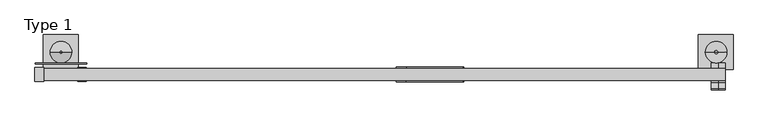
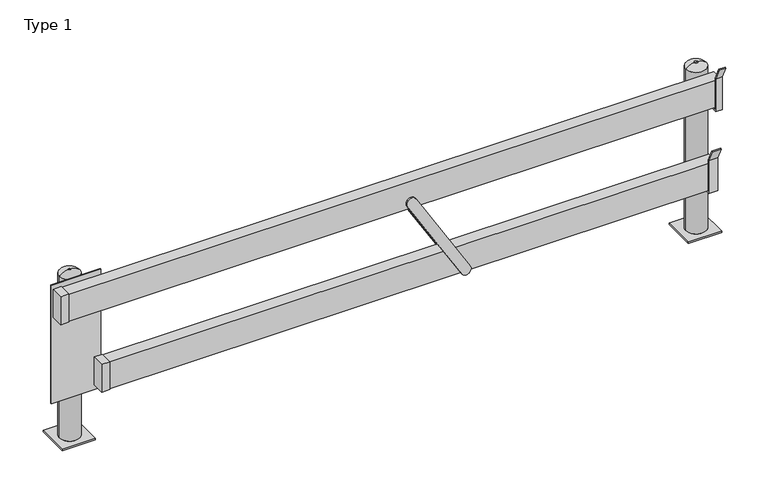
"""IFC4 building model written with IfcOpenShell, lengths in millimetres: proxy geometry, Type 1."""

from ifc_helpers import new_model, si_unit, point, frame, frame_2d, origin, place, context, project, spatial, polyline, circle_curve, ellipse_curve, trimmed, segment, composite_curve, outline, extrude, faceted_brep, source, transform, mapped, element, save
from ifc_brep_helpers import plane_surface, cylinder_surface, revolved_surface, advanced_brep


def type_1_bd8ac083(model_context):
    return source(origin(), model_context, "Body", "SolidModel", [
        extrude(outline(polyline([(-1785.05, 301.5346202), (-1836.05, 301.5346202), (-1836.05, 382.5346202), (-1785.05, 382.5346202), (-1785.05, 301.5346202)])), frame((0.0, 0.0, 355.15), z_axis=(0.0, 0.0, 1.0), x_axis=(1.0, 0.0, 0.0)), (0.0, 0.0, 1.0), 181.8),
        extrude(outline(polyline([(-2038.45, 301.5346202), (-2089.45, 301.5346202), (-2089.45, 382.5346202), (-2038.45, 382.5346202), (-2038.45, 301.5346202)])), frame((0.0, 0.0, 885.2), z_axis=(0.0, 0.0, 1.0), x_axis=(1.0, 0.0, 0.0)), (0.0, 0.0, 1.0), 181.8),
        extrude(outline(composite_curve([segment(trimmed(circle_curve(frame_2d((369.708321, 412.5848812)), 31.75), [point((353.3558621, 385.3698194))], [point((386.0607799, 439.799943))], False, "CARTESIAN"), True, "CONTINUOUS"), segment(polyline([(386.0607799, 439.799943), (942.5587325, 104.3406896)]), True, "CONTINUOUS"), segment(trimmed(circle_curve(frame_2d((926.2062736, 77.1256278)), 31.75), [point((942.5587325, 104.3406896))], [point((909.8538147, 49.910566))], False, "CARTESIAN"), True, "CONTINUOUS"), segment(polyline([(909.8538147, 49.910566), (353.3558621, 385.3698194)]), True, "CONTINUOUS")], self_intersect=False)), frame((0.0, 297.2346202, 0.0), z_axis=(0.0, 1.0, 0.0), x_axis=(0.0, 0.0, 1.0)), (0.0, 0.0, 1.0), 8.025),
        extrude(outline(composite_curve([segment(trimmed(circle_curve(frame_2d((926.2062736, 77.1256278)), 31.75), [point((942.5587325, 104.3406896))], [point((909.8538147, 49.910566))], False, "CARTESIAN"), True, "CONTINUOUS"), segment(polyline([(909.8538147, 49.910566), (353.3558621, 385.3698194)]), True, "CONTINUOUS"), segment(trimmed(circle_curve(frame_2d((369.708321, 412.5848812)), 31.75), [point((353.3558621, 385.3698194))], [point((386.0607799, 439.799943))], False, "CARTESIAN"), True, "CONTINUOUS"), segment(polyline([(386.0607799, 439.799943), (942.5587325, 104.3406896)]), True, "CONTINUOUS")], self_intersect=False)), frame((0.0, 378.2846202, 0.0), z_axis=(0.0, 1.0, 0.0), x_axis=(0.0, 0.0, 1.0)), (0.0, 0.0, 1.0), 7.95),
        extrude(outline(polyline([(1989.425, 305.2596202), (-2087.85, 305.2596202), (-2087.85, 378.2846202), (1989.425, 378.2846202), (1989.425, 305.2596202)])), frame((0.0, 0.0, 887.2), z_axis=(0.0, 0.0, 1.0), x_axis=(1.0, 0.0, 0.0)), (0.0, 0.0, 1.0), 177.8),
        extrude(outline(polyline([(1960.85, 305.2596202), (-1833.85, 305.2596202), (-1833.85, 378.2846202), (1960.85, 378.2846202), (1960.85, 305.2596202)])), frame((0.0, 0.0, 357.15), z_axis=(0.0, 0.0, 1.0), x_axis=(1.0, 0.0, 0.0)), (0.0, 0.0, 1.0), 177.85),
        advanced_brep(
        [(-1833.85, 576.9346202, 9.525), (-2038.85, 576.9346202, 9.525), (-2038.85, 371.9346202, 9.525), (-1833.85, 371.9346202, 9.525), (-1871.95, 473.5346202, 9.525), (-1998.95, 473.5346202, 9.525), (-1833.85, 576.9346202, 0.0), (-1833.85, 371.9346202, 0.0), (-2038.85, 371.9346202, 0.0), (-2038.85, 576.9346202, 0.0), (-1998.95, 473.5346202, 1065.0), (-1871.95, 473.5346202, 1065.0), (-1944.9569878, 473.5346202, 1090.0), (-1925.9430122, 473.5346202, 1090.0), (-1935.45, 473.5346202, 1090.0)],
        [
            (0, 1),
            (1, 2),
            (2, 3),
            (3, 0),
            (4, 5, circle_curve(frame((-1935.45, 473.5346202, 9.525), z_axis=(0.0, 0.0, -1.0), x_axis=(1.0, 0.0, 0.0)), 63.5)),
            (5, 4, circle_curve(frame((-1935.45, 473.5346202, 9.525), z_axis=(0.0, 0.0, -1.0), x_axis=(1.0, 0.0, 0.0)), 63.5)),
            (6, 7),
            (7, 8),
            (8, 9),
            (9, 6),
            (0, 6),
            (9, 1),
            (8, 2),
            (7, 3),
            (10, 5),
            (4, 11),
            (11, 10, circle_curve(frame((-1935.45, 473.5346202, 1065.0), z_axis=(0.0, 0.0, -1.0), x_axis=(1.0, 0.0, 0.0)), 63.5)),
            (10, 11, circle_curve(frame((-1935.45, 473.5346202, 1065.0), z_axis=(0.0, 0.0, -1.0), x_axis=(1.0, 0.0, 0.0)), 63.5)),
            (12, 13, circle_curve(frame((-1935.45, 473.5346202, 1090.0), z_axis=(0.0, 0.0, -1.0), x_axis=(1.0, 0.0, 0.0)), 9.5069878)),
            (13, 11, circle_curve(frame((-1925.9430122, 473.5346202, 1019.1950926), z_axis=(0.0, 1.0, 0.0), x_axis=(-1.0, 0.0, 0.0)), 70.8049074)),
            (10, 12, circle_curve(frame((-1944.9569878, 473.5346202, 1019.1950926), z_axis=(0.0, 1.0, 0.0), x_axis=(1.0, 0.0, 0.0)), 70.8049074)),
            (13, 12, circle_curve(frame((-1935.45, 473.5346202, 1090.0), z_axis=(0.0, 0.0, -1.0), x_axis=(1.0, 0.0, 0.0)), 9.5069878)),
            (12, 14),
            (14, 13),
        ],
        [
            plane_surface(frame((-1835.65, 576.9346202, 9.525), z_axis=(0.0, 0.0, 1.0), x_axis=(-1.0, 0.0, 0.0))),
            plane_surface(frame((-1835.65, 576.9346202, 0.0), z_axis=(0.0, 0.0, -1.0), x_axis=(1.0, 0.0, 0.0))),
            plane_surface(frame((-1833.85, 576.9346202, 9.525), z_axis=(0.0, 1.0, 0.0), x_axis=(0.0, 0.0, -1.0))),
            plane_surface(frame((-2038.85, 576.9346202, 9.525), z_axis=(-1.0, 0.0, 0.0), x_axis=(0.0, 0.0, -1.0))),
            plane_surface(frame((-2038.85, 371.9346202, 9.525), z_axis=(0.0, -1.0, 0.0), x_axis=(0.0, 0.0, -1.0))),
            plane_surface(frame((-1833.85, 371.9346202, 9.525), z_axis=(1.0, 0.0, 0.0), x_axis=(0.0, 0.0, -1.0))),
            cylinder_surface(frame((-1935.45, 473.5346202, 0.0), z_axis=(0.0, 0.0, 1.0), x_axis=(1.0, 0.0, 0.0)), 63.5),
            revolved_surface(trimmed(ellipse_curve(frame((-1925.9430122, 473.5346202, 1019.1950926), z_axis=(0.0, -1.0, 0.0), x_axis=(-1.0, 0.0, 0.0)), 70.8049074, 70.8049074), [point((-1871.95, 473.5346202, 1065.0))], [point((-1925.9430122, 473.5346202, 1090.0))], True, "CARTESIAN"), (-1935.45, 473.5346202, 1090.0), (0.0, 0.0, 1.0)),
            plane_surface(frame((-1935.45, 473.5346202, 1090.0), z_axis=(0.0, 0.0, 1.0), x_axis=(1.0, 0.0, 0.0))),
        ],
        [
            (0, [[1, 2, 3, 4], [5, 6]]),
            (1, [[7, 8, 9, 10]]),
            (2, [[-1, 11, -10, 12]]),
            (3, [[-2, -12, -9, 13]]),
            (4, [[-3, -13, -8, 14]]),
            (5, [[-4, -14, -7, -11]]),
            (6, [[15, -5, 16, 17]]),
            (6, [[-15, 18, -16, -6]]),
            (7, [[19, 20, -18, 21]]),
            (7, [[-20, 22, -21, -17]]),
            (8, [[-19, 23, 24]]),
            (8, [[-22, -24, -23]]),
        ],
    ),
        advanced_brep(
        [(1830.25, 576.9346202, 9.525), (1830.25, 371.9346202, 9.525), (2035.25, 371.9346202, 9.525), (2035.25, 576.9346202, 9.525), (1998.95, 473.5346202, 9.525), (1871.95, 473.5346202, 9.525), (1830.25, 576.9346202, 0.0), (2035.25, 576.9346202, 0.0), (2035.25, 371.9346202, 0.0), (1830.25, 371.9346202, 0.0), (1871.95, 473.5346202, 1065.0), (1998.95, 473.5346202, 1065.0), (1944.9569878, 473.5346202, 1090.0), (1925.9430122, 473.5346202, 1090.0), (1935.45, 473.5346202, 1090.0)],
        [
            (0, 1),
            (1, 2),
            (2, 3),
            (3, 0),
            (4, 5, circle_curve(frame((1935.45, 473.5346202, 9.525), z_axis=(0.0, 0.0, -1.0), x_axis=(1.0, 0.0, 0.0)), 63.5)),
            (5, 4, circle_curve(frame((1935.45, 473.5346202, 9.525), z_axis=(0.0, 0.0, -1.0), x_axis=(1.0, 0.0, 0.0)), 63.5)),
            (6, 7),
            (7, 8),
            (8, 9),
            (9, 6),
            (0, 6),
            (9, 1),
            (8, 2),
            (7, 3),
            (10, 5),
            (4, 11),
            (11, 10, circle_curve(frame((1935.45, 473.5346202, 1065.0), z_axis=(0.0, 0.0, -1.0), x_axis=(1.0, 0.0, 0.0)), 63.5)),
            (10, 11, circle_curve(frame((1935.45, 473.5346202, 1065.0), z_axis=(0.0, 0.0, -1.0), x_axis=(1.0, 0.0, 0.0)), 63.5)),
            (12, 13, circle_curve(frame((1935.45, 473.5346202, 1090.0), z_axis=(0.0, 0.0, 1.0), x_axis=(-1.0, 0.0, 0.0)), 9.5069878)),
            (13, 14),
            (14, 12),
            (13, 12, circle_curve(frame((1935.45, 473.5346202, 1090.0), z_axis=(0.0, 0.0, 1.0), x_axis=(-1.0, 0.0, 0.0)), 9.5069878)),
            (12, 11, circle_curve(frame((1944.9569878, 473.5346202, 1019.1950926), z_axis=(0.0, 1.0, 0.0), x_axis=(-1.0, 0.0, 0.0)), 70.8049074)),
            (10, 13, circle_curve(frame((1925.9430122, 473.5346202, 1019.1950926), z_axis=(0.0, 1.0, 0.0), x_axis=(1.0, 0.0, 0.0)), 70.8049074)),
        ],
        [
            plane_surface(frame((-1835.65, 576.9346202, 9.525), z_axis=(0.0, 0.0, 1.0), x_axis=(-1.0, 0.0, 0.0))),
            plane_surface(frame((-1835.65, 576.9346202, 0.0), z_axis=(0.0, 0.0, -1.0), x_axis=(1.0, 0.0, 0.0))),
            plane_surface(frame((1830.25, 576.9346202, 9.525), z_axis=(-1.0, 0.0, 0.0), x_axis=(0.0, 0.0, -1.0))),
            plane_surface(frame((1830.25, 371.9346202, 9.525), z_axis=(0.0, -1.0, 0.0), x_axis=(0.0, 0.0, -1.0))),
            plane_surface(frame((2035.25, 371.9346202, 9.525), z_axis=(1.0, 0.0, 0.0), x_axis=(0.0, 0.0, -1.0))),
            plane_surface(frame((2035.25, 576.9346202, 9.525), z_axis=(0.0, 1.0, 0.0), x_axis=(0.0, 0.0, -1.0))),
            cylinder_surface(frame((1935.45, 473.5346202, 0.0), z_axis=(0.0, 0.0, 1.0), x_axis=(1.0, 0.0, 0.0)), 63.5),
            plane_surface(frame((1935.45, 473.5346202, 1090.0), z_axis=(0.0, 0.0, 1.0), x_axis=(-1.0, 0.0, 0.0))),
            revolved_surface(trimmed(ellipse_curve(frame((1925.9430122, 473.5346202, 1019.1950926), z_axis=(0.0, -1.0, 0.0), x_axis=(1.0, 0.0, 0.0)), 70.8049074, 70.8049074), [point((1925.9430122, 473.5346202, 1090.0))], [point((1871.95, 473.5346202, 1065.0))], True, "CARTESIAN"), (1935.45, 473.5346202, 1090.0), (0.0, 0.0, -1.0)),
        ],
        [
            (0, [[1, 2, 3, 4], [5, 6]]),
            (1, [[7, 8, 9, 10]]),
            (2, [[-1, 11, -10, 12]]),
            (3, [[-2, -12, -9, 13]]),
            (4, [[-3, -13, -8, 14]]),
            (5, [[-4, -14, -7, -11]]),
            (6, [[15, -5, 16, 17]]),
            (6, [[-15, 18, -16, -6]]),
            (7, [[19, 20, 21]]),
            (7, [[-20, 22, -21]]),
            (8, [[-19, 23, -18, 24]]),
            (8, [[-22, -24, -17, -23]]),
        ],
    ),
        faceted_brep([(-2087.85, 410.0346202, 1079.5), (-2087.85, 403.6846202, 1079.5), (-1783.05, 403.6846202, 1079.5), (-1783.05, 410.0346202, 1079.5), (-1783.05, 410.0346202, 304.8), (-1783.05, 403.6846202, 304.8), (-2087.85, 403.6846202, 304.8), (-2087.85, 410.0346202, 304.8), (-1935.45, 410.0346202, 304.8)], [[[0, 1, 2, 3]], [[4, 5, 6, 7, 8]], [[1, 0, 7, 6]], [[2, 1, 6, 5]], [[3, 2, 5, 4]], [[0, 3, 4, 8, 7]]]),
        faceted_brep([(1949.4290672, 292.5157925, 879.2625), (1949.4290672, 410.0346202, 879.2625), (1949.4290672, 410.0346202, 872.9125), (1949.4290672, 286.1657925, 872.9125), (1949.4290672, 286.1657925, 1087.4047389), (1949.4290672, 249.1899746, 1166.6996363), (1949.4290672, 254.945029, 1169.3832623), (1949.4290672, 292.5157925, 1088.8125), (1989.425, 292.5157925, 879.2625), (1989.425, 292.5157925, 1088.8125), (1989.425, 254.945029, 1169.3832623), (1989.425, 249.1899746, 1166.6996363), (1989.425, 286.1657925, 1087.4047389), (1989.425, 286.1657925, 872.9125), (1989.425, 410.0346202, 872.9125), (1989.425, 410.0346202, 879.2625)], [[[0, 1, 2, 3, 4, 5, 6, 7]], [[8, 9, 10, 11, 12, 13, 14, 15]], [[0, 7, 9, 8]], [[7, 6, 10, 9]], [[6, 5, 11, 10]], [[5, 4, 12, 11]], [[4, 3, 13, 12]], [[3, 2, 14, 13]], [[2, 1, 15, 14]], [[1, 0, 8, 15]]]),
        faceted_brep([(1905.3103331, 292.5157925, 360.3625), (1905.3103331, 410.0346202, 360.3625), (1905.3103331, 410.0346202, 354.0125), (1905.3103331, 286.1657925, 354.0125), (1905.3103331, 286.1657925, 568.5047389), (1905.3103331, 249.1899746, 647.7996363), (1905.3103331, 254.945029, 650.4832623), (1905.3103331, 292.5157925, 569.9125), (1960.85, 292.5157925, 360.3625), (1960.85, 292.5157925, 569.9125), (1960.85, 254.945029, 650.4832623), (1960.85, 249.1899746, 647.7996363), (1960.85, 286.1657925, 568.5047389), (1960.85, 286.1657925, 354.0125), (1960.85, 410.0346202, 354.0125), (1960.85, 410.0346202, 360.3625), (1935.45, 410.0346202, 354.0125), (1935.45, 410.0346202, 360.3625)], [[[0, 1, 2, 3, 4, 5, 6, 7]], [[8, 9, 10, 11, 12, 13, 14, 15]], [[0, 7, 9, 8]], [[7, 6, 10, 9]], [[6, 5, 11, 10]], [[5, 4, 12, 11]], [[4, 3, 13, 12]], [[3, 2, 16, 14, 13]], [[2, 1, 17, 15, 14, 16]], [[1, 0, 8, 15, 17]]]),
    ])


if __name__ == "__main__":
    model = new_model("IFC4")
    model_context = context("Model", 3, world=origin())
    ifc_project = project(units=[si_unit("LENGTHUNIT", "METRE", prefix="MILLI")], contexts=[model_context])
    site = spatial("IfcSite", under=ifc_project)
    building = spatial("IfcBuilding", under=site)
    placement = place(None, origin())
    type_1_shape = type_1_bd8ac083(model_context)
    element("IfcBuildingElementProxy", 1, Name="Type 1", ObjectType="Type 1", at=placement, inside=building, context=model_context, shape_type="MappedRepresentation", body=[
        mapped(type_1_shape, transform((0.0, 0.0, 0.0), x_axis=(1.0, 0.0, 0.0), y_axis=(0.0, 1.0, 0.0), z_axis=(0.0, 0.0, 1.0))),
    ])
    save(model, "model.ifc")
